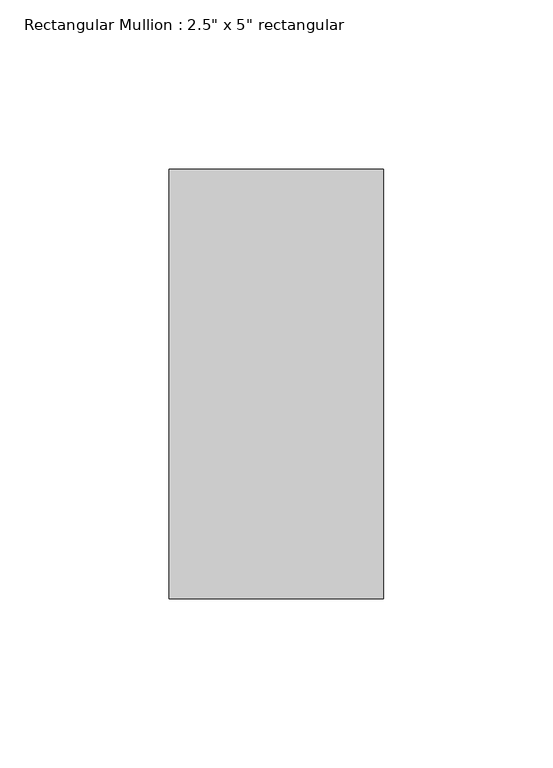
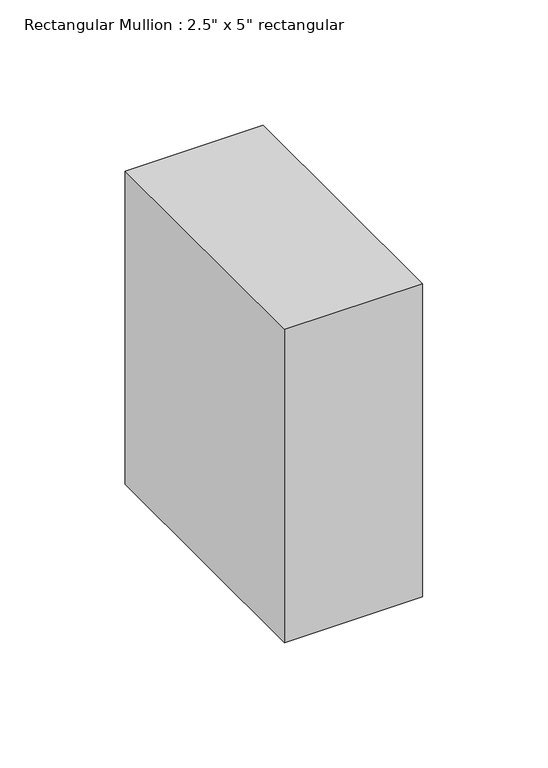
"""IFC4 building model written with IfcOpenShell, lengths in millimetres: member geometry."""

from ifc_helpers import new_model, si_unit, frame, origin, place, context, project, spatial, polyline, outline, extrude, source, transform, mapped, element, save


def member_876f8f00(model_context):
    return source(origin(), model_context, "Body", "SweptSolid", [
        extrude(outline(polyline([(0.0, 63.5), (0.0, -63.5), (-63.5, -63.5), (-63.5, 63.5), (0.0, 63.5)])), frame((0.0, 0.0, -152.4), z_axis=(0.0, 0.0, 1.0), x_axis=(1.0, 0.0, 0.0)), (0.0, 0.0, 1.0), 152.4),
    ])


if __name__ == "__main__":
    model = new_model("IFC4")
    model_context = context("Model", 3, world=origin())
    ifc_project = project(units=[si_unit("LENGTHUNIT", "METRE", prefix="MILLI")], contexts=[model_context])
    site = spatial("IfcSite", under=ifc_project)
    building = spatial("IfcBuilding", under=site)
    placement = place(None, origin())
    member_shape = member_876f8f00(model_context)
    element("IfcMember", 1, ObjectType="Rectangular Mullion : 2.5\" x 5\" rectangular", at=placement, inside=building, context=model_context, shape_type="MappedRepresentation", body=[
        mapped(member_shape, transform((0.0, 0.0, 0.0), x_axis=(1.0, 0.0, 0.0), y_axis=(0.0, 1.0, 0.0), z_axis=(0.0, 0.0, 1.0))),
    ])
    save(model, "model.ifc")
